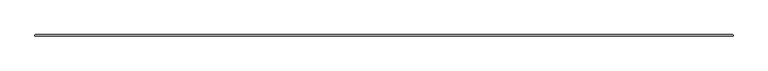
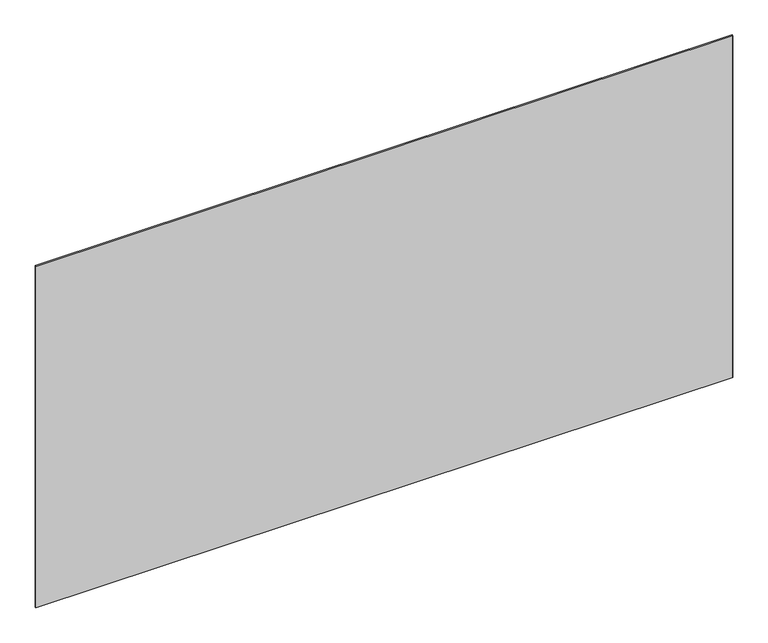
"""IFC4 building model written with IfcOpenShell, lengths in millimetres: plate geometry."""

from ifc_helpers import new_model, si_unit, origin, origin_with_axes, place, context, project, spatial, polyline, outline, extrude, source, transform, mapped, element, save


def plate_9f1667bb(model_context):
    return source(origin(), model_context, "Body", "SweptSolid", [
        extrude(outline(polyline([(2330.45, -34.925), (-2330.45, -34.925), (-2332.0375, -33.3375), (-2332.0375, -26.9875), (-2330.45, -25.4), (2330.45, -25.4), (2332.0375, -26.9875), (2332.0375, -33.3375), (2330.45, -34.925)])), origin_with_axes(), (0.0, 0.0, 1.0), 2417.075),
    ])


if __name__ == "__main__":
    model = new_model("IFC4")
    model_context = context("Model", 3, world=origin())
    ifc_project = project(units=[si_unit("LENGTHUNIT", "METRE", prefix="MILLI")], contexts=[model_context])
    site = spatial("IfcSite", under=ifc_project)
    building = spatial("IfcBuilding", under=site)
    placement = place(None, origin())
    plate_shape = plate_9f1667bb(model_context)
    element("IfcPlate", 1, at=placement, inside=building, context=model_context, shape_type="MappedRepresentation", body=[
        mapped(plate_shape, transform((0.0, 0.0, 0.0), x_axis=(1.0, 0.0, 0.0), y_axis=(0.0, 1.0, 0.0), z_axis=(0.0, 0.0, 1.0))),
    ])
    save(model, "model.ifc")
